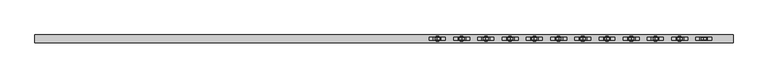
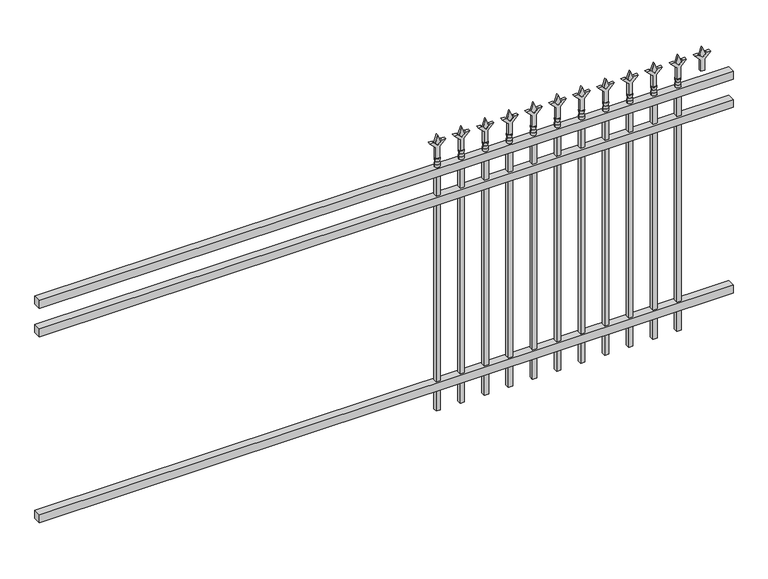
"""IFC4 building model written with IfcOpenShell, lengths in millimetres: railing geometry."""

import ifcopenshell
import ifcopenshell.guid

model = None  # the IFC model being written
_history = None  # IfcOwnerHistory: only IFC2X3 demands one
_inside = {}  # id of a spatial element -> (the spatial element, [elements in it])
_under = {}  # id of a project, library or spatial element -> (it, [spatial elements below it])
_declared = {}  # id of a project -> (the project, [libraries it declares])
_typed = {}  # id of a type object -> (the type object, [elements of that type])
_made_of = {}  # id of a material, layer set ... -> (it, [elements and type objects made of it])


def new_model(schema):
    """Start an empty IFC model of exactly this schema.

    Asked for "IFC4X3", IfcOpenShell would pick the latest addendum, in which some entities
    have other attributes; the version numbers below select the first issue.
    IFC2X3 requires an IfcOwnerHistory on every rooted entity: one is made here for all.
    """
    global model, _history
    if schema == "IFC4X3":
        model = ifcopenshell.file(schema_version=(4, 3, 0, 0))
    else:
        model = ifcopenshell.file(schema=schema)
    _inside.clear()
    _under.clear()
    _declared.clear()
    _typed.clear()
    _made_of.clear()
    _history = None
    if model.schema == "IFC2X3":
        org = make("IfcOrganization", Name="unknown")
        user = make(
            "IfcPersonAndOrganization",
            ThePerson=make("IfcPerson", FamilyName="unknown"),
            TheOrganization=org,
        )
        app = make(
            "IfcApplication",
            ApplicationDeveloper=org,
            Version="unknown",
            ApplicationFullName="unknown",
            ApplicationIdentifier="unknown",
        )
        _history = make(
            "IfcOwnerHistory",
            OwningUser=user,
            OwningApplication=app,
            ChangeAction="ADDED",
            CreationDate=0,
        )
    return model


def make(cls, **values):
    """One entity of the class cls with the attributes given. An attribute that is None is left unset."""
    return model.create_entity(
        cls, **{name: value for name, value in values.items() if value is not None}
    )


def rooted(cls, **values):
    """An entity with a GlobalId (a new one), such as an element, a storey or a relation."""
    return make(cls, GlobalId=ifcopenshell.guid.new(), OwnerHistory=_history, **values)


def si_unit(unit_type, name, prefix=None):
    """IfcSIUnit, for example si_unit("LENGTHUNIT", "METRE", prefix="MILLI")."""
    return make("IfcSIUnit", UnitType=unit_type, Prefix=prefix, Name=name)


def assignment(units):
    """IfcUnitAssignment: the units of a project."""
    return None if units is None else make("IfcUnitAssignment", Units=units)


def point(xyz):
    """IfcCartesianPoint."""
    return None if xyz is None else make("IfcCartesianPoint", Coordinates=xyz)


def direction(xyz):
    """IfcDirection."""
    return None if xyz is None else make("IfcDirection", DirectionRatios=xyz)


def frame(location, z_axis=None, x_axis=None):
    """IfcAxis2Placement3D, a coordinate frame: its origin and axes. An axis left out is left unset."""
    return make(
        "IfcAxis2Placement3D",
        Location=point(location),
        Axis=direction(z_axis),
        RefDirection=direction(x_axis),
    )


def origin():
    """The frame at (0, 0, 0) with its axes left unset."""
    return frame((0.0, 0.0, 0.0))


def place(relative_to, where):
    """IfcLocalPlacement: puts the frame where relative to a parent placement (None: the world)."""
    return make(
        "IfcLocalPlacement", PlacementRelTo=relative_to, RelativePlacement=where
    )


def context(
    kind, dimensions, precision=None, world=None, true_north=None, identifier=None
):
    """IfcGeometricRepresentationContext, for example the 3D "Model" context."""
    return make(
        "IfcGeometricRepresentationContext",
        ContextIdentifier=identifier,
        ContextType=kind,
        CoordinateSpaceDimension=dimensions,
        Precision=precision,
        WorldCoordinateSystem=world,
        TrueNorth=true_north,
    )


def project(units=None, contexts=None):
    """IfcProject with its units and contexts."""
    return rooted(
        "IfcProject",
        Name="project",
        RepresentationContexts=contexts,
        UnitsInContext=assignment(units),
    )


def spatial(cls, under=None, at=None, **own):
    """A site, building, storey or space (cls), placed at a placement, below another one or the project."""
    s = rooted(cls, ObjectPlacement=at, **own)
    if under is not None:
        _under.setdefault(under.id(), (under, []))[1].append(s)
    return s


def polyline(points):
    """IfcPolyline through the points."""
    return make("IfcPolyline", Points=[point(p) for p in points])


def circle_curve(where, radius):
    """IfcCircle in the frame where."""
    return make("IfcCircle", Position=where, Radius=radius)


def outline(outer, holes=None, kind="AREA"):
    """IfcArbitraryClosedProfileDef: a profile drawn as a closed curve; with holes, ...WithVoids."""
    if holes is None:
        return make("IfcArbitraryClosedProfileDef", ProfileType=kind, OuterCurve=outer)
    return make(
        "IfcArbitraryProfileDefWithVoids",
        ProfileType=kind,
        OuterCurve=outer,
        InnerCurves=holes,
    )


def extrude(swept, where, along, depth):
    """IfcExtrudedAreaSolid: the profile swept, set in the frame where, extruded along a direction by depth."""
    return make(
        "IfcExtrudedAreaSolid",
        SweptArea=swept,
        Position=where,
        ExtrudedDirection=direction(along),
        Depth=depth,
    )


def shape(context_of_items, identifier, shape_type, items):
    """IfcShapeRepresentation: the items that make up one representation, for example the "Body"."""
    return make(
        "IfcShapeRepresentation",
        ContextOfItems=context_of_items,
        RepresentationIdentifier=identifier,
        RepresentationType=shape_type,
        Items=items,
    )


def source(mapping_origin, context_of_items, identifier, shape_type, items):
    """IfcRepresentationMap: a shape defined once, which mapped items show again and again."""
    return make(
        "IfcRepresentationMap",
        MappingOrigin=mapping_origin,
        MappedRepresentation=shape(context_of_items, identifier, shape_type, items),
    )


def transform(
    local_origin,
    x_axis=None,
    y_axis=None,
    z_axis=None,
    scale=None,
    scale2=None,
    scale3=None,
    uniform=True,
):
    """IfcCartesianTransformationOperator3D, or its non-uniform kind. x_axis, y_axis, z_axis: its Axis1, 2, 3."""
    if uniform:
        return make(
            "IfcCartesianTransformationOperator3D",
            Axis1=direction(x_axis),
            Axis2=direction(y_axis),
            LocalOrigin=point(local_origin),
            Scale=scale,
            Axis3=direction(z_axis),
        )
    return make(
        "IfcCartesianTransformationOperator3DnonUniform",
        Axis1=direction(x_axis),
        Axis2=direction(y_axis),
        LocalOrigin=point(local_origin),
        Scale=scale,
        Axis3=direction(z_axis),
        Scale2=scale2,
        Scale3=scale3,
    )


def mapped(mapping_source, mapping_target):
    """IfcMappedItem: shows the shape of a source again, moved by a transform."""
    return make(
        "IfcMappedItem", MappingSource=mapping_source, MappingTarget=mapping_target
    )


def made_of(thing, what):
    """Note that an element or type object is made of a material, layer set ...; save() writes the relation."""
    if what is not None:
        _made_of.setdefault(what.id(), (what, []))[1].append(thing)
    return thing


def element(
    cls,
    number,
    at=None,
    inside=None,
    cuts=None,
    type_object=None,
    material=None,
    context=None,
    identifier="Body",
    shape_type=None,
    held_by="IfcProductDefinitionShape",
    body=None,
    shapes=None,
    **own,
):
    """One element of the class cls, such as IfcWall. Its Tag is "e" and its number.

    at: its placement. inside: the storey or other place that contains it. cuts: it is an
    opening in that element (IfcRelVoidsElement). A single representation is given by context,
    identifier, shape_type and body (its items); several are given by shapes. held_by: the class
    of the entity that holds the representations. save() writes the other relations.
    """
    e = rooted(cls, Tag="e%d" % number, ObjectPlacement=at, **own)
    if body is not None:
        shapes = [shape(context, identifier, shape_type, body)]
    if shapes is not None:
        e.Representation = make(held_by, Representations=shapes)
    if inside is not None:
        _inside.setdefault(inside.id(), (inside, []))[1].append(e)
    if cuts is not None:
        rooted(
            "IfcRelVoidsElement", RelatingBuildingElement=cuts, RelatedOpeningElement=e
        )
    if type_object is not None:
        _typed.setdefault(type_object.id(), (type_object, []))[1].append(e)
    return made_of(e, material)


def aggregate(whole, parts):
    """IfcRelAggregates: a whole, such as a stair, and the parts it consists of."""
    return rooted("IfcRelAggregates", RelatingObject=whole, RelatedObjects=parts)


def save(model, path):
    """Write the relations noted so far, then the file.

    IfcRelAggregates (storeys below a building ...), IfcRelContainedInSpatialStructure (elements
    in a storey), IfcRelDefinesByType, IfcRelAssociatesMaterial and IfcRelDeclares: one each for
    every whole, place, type object, material and project.
    """
    for whole, parts in _under.values():
        aggregate(whole, parts)
    for where, things in _inside.values():
        rooted(
            "IfcRelContainedInSpatialStructure",
            RelatedElements=things,
            RelatingStructure=where,
        )
    for kind, things in _typed.values():
        rooted("IfcRelDefinesByType", RelatedObjects=things, RelatingType=kind)
    for what, things in _made_of.values():
        rooted("IfcRelAssociatesMaterial", RelatedObjects=things, RelatingMaterial=what)
    for by, libraries in _declared.values():
        rooted("IfcRelDeclares", RelatingContext=by, RelatedDefinitions=libraries)
    model.write(path)


def plane_surface(at):
    """IfcPlane: the flat surface through the origin of the frame at, square to its z axis."""
    return make("IfcPlane", Position=at)


def cylinder_surface(at, radius):
    """IfcCylindricalSurface: all points at the distance radius from the z axis of the frame at."""
    return make("IfcCylindricalSurface", Position=at, Radius=radius)


def revolved_surface(curve, axis_point, axis_direction):
    """IfcSurfaceOfRevolution: the curve turned about the line through axis_point along axis_direction."""
    return make(
        "IfcSurfaceOfRevolution",
        SweptCurve=make("IfcArbitraryOpenProfileDef", ProfileType="CURVE", Curve=curve),
        AxisPosition=make("IfcAxis1Placement", Location=point(axis_point), Axis=direction(axis_direction)),
    )


def advanced_brep(points, edges, surfaces, faces):
    """IfcAdvancedBrep: a solid bounded by faces that lie on surfaces and meet in shared edges.

    An edge is (start, end): straight between two places in points (the first is 0);
    or (start, end, curve); or (start, end, curve, False) where it runs against its curve.
    A face is (place in surfaces, loops), or (place, loops, False) where it looks against
    its surface's normal. A loop lists edges by number (the first is 1), with a minus sign
    where the edge is run from its end to its start. The first loop is the outer one.
    """
    corners = [point(p) for p in points]
    vertices = [make("IfcVertexPoint", VertexGeometry=c) for c in corners]
    made = []
    for start, end, *more in edges:
        made.append(
            make(
                "IfcEdgeCurve",
                EdgeStart=vertices[start],
                EdgeEnd=vertices[end],
                EdgeGeometry=more[0] if more else make("IfcPolyline", Points=[corners[start], corners[end]]),
                SameSense=more[1] if len(more) > 1 else True,
            )
        )
    hull = []
    for where, loops, *sense in faces:
        bounds = []
        for j, loop in enumerate(loops):
            ring = [make("IfcOrientedEdge", EdgeElement=made[abs(k) - 1], Orientation=k > 0) for k in loop]
            bounds.append(
                make(
                    "IfcFaceOuterBound" if j == 0 else "IfcFaceBound",
                    Bound=make("IfcEdgeLoop", EdgeList=ring),
                    Orientation=True,
                )
            )
        hull.append(make("IfcAdvancedFace", Bounds=bounds, FaceSurface=surfaces[where], SameSense=sense[0] if sense else True))
    return make("IfcAdvancedBrep", Outer=make("IfcClosedShell", CfsFaces=hull))


def railing_4e1fc97d(model_context):
    return source(origin(), model_context, "Body", "SolidModel", [
        extrude(outline(polyline([(-73537.318087, -3091.1195174), (-73537.318087, -3056.1945174), (-70387.718087, -3056.1945174), (-70387.718087, -3091.1195174), (-73537.318087, -3091.1195174)])), frame((0.0, 0.0, 1181.1), z_axis=(0.0, 0.0, 1.0), x_axis=(1.0, 0.0, 0.0)), (0.0, 0.0, 1.0), 38.1),
        extrude(outline(polyline([(-73537.318087, -3091.1195174), (-73537.318087, -3056.1945174), (-70387.718087, -3056.1945174), (-70387.718087, -3091.1195174), (-73537.318087, -3091.1195174)])), frame((0.0, 0.0, 1044.575), z_axis=(0.0, 0.0, 1.0), x_axis=(1.0, 0.0, 0.0)), (0.0, 0.0, 1.0), 38.1),
        extrude(outline(polyline([(-73537.318087, -3091.1195174), (-73537.318087, -3056.1945174), (-70387.718087, -3056.1945174), (-70387.718087, -3091.1195174), (-73537.318087, -3091.1195174)])), frame((0.0, 0.0, 152.4), z_axis=(0.0, 0.0, 1.0), x_axis=(1.0, 0.0, 0.0)), (0.0, 0.0, 1.0), 38.1),
        extrude(outline(polyline([(1335.88125, -70616.8472536), (1371.6, -70628.7535036), (1335.88125, -70640.6597536), (1323.975, -70628.7535036), (1335.88125, -70616.8472536)])), frame((0.0, -3078.4195174, 0.0), z_axis=(0.0, 1.0, 0.0), x_axis=(0.0, 0.0, 1.0)), (0.0, 0.0, 1.0), 9.525),
        extrude(outline(polyline([(1260.475, -70620.0222536), (1314.7457378, -70620.0222536), (1341.9355122, -70592.8324791), (1341.9355122, -70610.7929914), (1323.975, -70628.7535036), (1341.9355122, -70646.7140159), (1341.9355122, -70664.6745281), (1314.7457378, -70637.4847536), (1260.475, -70637.4847536), (1260.475, -70620.0222536)])), frame((0.0, -3080.0070174, 0.0), z_axis=(0.0, 1.0, 0.0), x_axis=(0.0, 0.0, 1.0)), (0.0, 0.0, 1.0), 12.7),
        advanced_brep(
        [(-70616.8472536, -3073.6570174, 1231.9), (-70640.6597536, -3073.6570174, 1231.9), (-70640.6597536, -3073.6570174, 1219.2), (-70616.8472536, -3073.6570174, 1219.2), (-70619.0525855, -3073.6570174, 1244.4070585), (-70638.4544218, -3073.6570174, 1244.4070585), (-70616.8472536, -3073.6570174, 1260.475), (-70640.6597536, -3073.6570174, 1260.475), (-70628.7535036, -3073.6570174, 1260.475), (-70628.7535036, -3073.6570174, 1219.2)],
        [
            (0, 1, circle_curve(frame((-70628.7535036, -3073.6570174, 1231.9), z_axis=(0.0, 0.0, -1.0), x_axis=(-1.0, 0.0, 0.0)), 11.90625)),
            (1, 2),
            (2, 3, circle_curve(frame((-70628.7535036, -3073.6570174, 1219.2), z_axis=(0.0, 0.0, 1.0), x_axis=(-1.0, 0.0, 0.0)), 11.90625)),
            (3, 0),
            (1, 0, circle_curve(frame((-70628.7535036, -3073.6570174, 1231.9), z_axis=(0.0, 0.0, -1.0), x_axis=(-1.0, 0.0, 0.0)), 11.90625)),
            (3, 2, circle_curve(frame((-70628.7535036, -3073.6570174, 1219.2), z_axis=(0.0, 0.0, 1.0), x_axis=(-1.0, 0.0, 0.0)), 11.90625)),
            (4, 5, circle_curve(frame((-70628.7535036, -3073.6570174, 1244.4070585), z_axis=(0.0, 0.0, -1.0), x_axis=(-1.0, 0.0, 0.0)), 9.7009181)),
            (5, 1),
            (0, 4),
            (5, 4, circle_curve(frame((-70628.7535036, -3073.6570174, 1244.4070585), z_axis=(0.0, 0.0, -1.0), x_axis=(-1.0, 0.0, 0.0)), 9.7009181)),
            (6, 7, circle_curve(frame((-70628.7535036, -3073.6570174, 1260.475), z_axis=(0.0, 0.0, -1.0), x_axis=(-1.0, 0.0, 0.0)), 11.90625)),
            (7, 5),
            (4, 6),
            (7, 6, circle_curve(frame((-70628.7535036, -3073.6570174, 1260.475), z_axis=(0.0, 0.0, -1.0), x_axis=(-1.0, 0.0, 0.0)), 11.90625)),
            (8, 7),
            (6, 8),
            (2, 9),
            (9, 3),
        ],
        [
            cylinder_surface(frame((-70628.7535036, -3073.6570174, 1219.2), z_axis=(0.0, 0.0, 1.0), x_axis=(-1.0, 0.0, 0.0)), 11.90625),
            revolved_surface(polyline([(-70640.6597536, -3073.6570174, 1231.9), (-70638.4544218, -3073.6570174, 1244.4070585)]), (-70628.7535036, -3073.6570174, 1219.2), (0.0, 0.0, 1.0)),
            revolved_surface(polyline([(-70638.4544218, -3073.6570174, 1244.4070585), (-70640.6597536, -3073.6570174, 1260.475)]), (-70628.7535036, -3073.6570174, 1219.2), (0.0, 0.0, 1.0)),
            plane_surface(frame((-70628.7535036, -3073.6570174, 1260.475), z_axis=(0.0, 0.0, 1.0), x_axis=(-1.0, 0.0, 0.0))),
            plane_surface(frame((-70628.7535036, -3073.6570174, 1219.2), z_axis=(0.0, 0.0, -1.0), x_axis=(-1.0, 0.0, 0.0))),
        ],
        [
            (0, [[1, 2, 3, 4]]),
            (0, [[5, -4, 6, -2]]),
            (1, [[7, 8, -1, 9]]),
            (1, [[10, -9, -5, -8]]),
            (2, [[11, 12, -7, 13]]),
            (2, [[14, -13, -10, -12]]),
            (3, [[15, -11, 16]]),
            (3, [[-16, -14, -15]]),
            (4, [[-3, 17, 18]]),
            (4, [[-6, -18, -17]]),
        ],
    ),
        extrude(outline(polyline([(-70638.2785036, -3064.1320174), (-70619.2285036, -3064.1320174), (-70619.2285036, -3083.1820174), (-70638.2785036, -3083.1820174), (-70638.2785036, -3064.1320174)])), frame((0.0, 0.0, 50.8), z_axis=(0.0, 0.0, 1.0), x_axis=(1.0, 0.0, 0.0)), (0.0, 0.0, 1.0), 1168.4),
        extrude(outline(polyline([(1335.88125, -70726.1201703), (1371.6, -70738.0264203), (1335.88125, -70749.9326703), (1323.975, -70738.0264203), (1335.88125, -70726.1201703)])), frame((0.0, -3078.4195174, 0.0), z_axis=(0.0, 1.0, 0.0), x_axis=(0.0, 0.0, 1.0)), (0.0, 0.0, 1.0), 9.525),
        extrude(outline(polyline([(1260.475, -70729.2951703), (1314.7457378, -70729.2951703), (1341.9355122, -70702.1053958), (1341.9355122, -70720.0659081), (1323.975, -70738.0264203), (1341.9355122, -70755.9869325), (1341.9355122, -70773.9474448), (1314.7457378, -70746.7576703), (1260.475, -70746.7576703), (1260.475, -70729.2951703)])), frame((0.0, -3080.0070174, 0.0), z_axis=(0.0, 1.0, 0.0), x_axis=(0.0, 0.0, 1.0)), (0.0, 0.0, 1.0), 12.7),
        advanced_brep(
        [(-70726.1201703, -3073.6570174, 1231.9), (-70749.9326703, -3073.6570174, 1231.9), (-70749.9326703, -3073.6570174, 1219.2), (-70726.1201703, -3073.6570174, 1219.2), (-70728.3255022, -3073.6570174, 1244.4070585), (-70747.7273384, -3073.6570174, 1244.4070585), (-70726.1201703, -3073.6570174, 1260.475), (-70749.9326703, -3073.6570174, 1260.475), (-70738.0264203, -3073.6570174, 1260.475), (-70738.0264203, -3073.6570174, 1219.2)],
        [
            (0, 1, circle_curve(frame((-70738.0264203, -3073.6570174, 1231.9), z_axis=(0.0, 0.0, -1.0), x_axis=(-1.0, 0.0, 0.0)), 11.90625)),
            (1, 2),
            (2, 3, circle_curve(frame((-70738.0264203, -3073.6570174, 1219.2), z_axis=(0.0, 0.0, 1.0), x_axis=(-1.0, 0.0, 0.0)), 11.90625)),
            (3, 0),
            (1, 0, circle_curve(frame((-70738.0264203, -3073.6570174, 1231.9), z_axis=(0.0, 0.0, -1.0), x_axis=(-1.0, 0.0, 0.0)), 11.90625)),
            (3, 2, circle_curve(frame((-70738.0264203, -3073.6570174, 1219.2), z_axis=(0.0, 0.0, 1.0), x_axis=(-1.0, 0.0, 0.0)), 11.90625)),
            (4, 5, circle_curve(frame((-70738.0264203, -3073.6570174, 1244.4070585), z_axis=(0.0, 0.0, -1.0), x_axis=(-1.0, 0.0, 0.0)), 9.7009181)),
            (5, 1),
            (0, 4),
            (5, 4, circle_curve(frame((-70738.0264203, -3073.6570174, 1244.4070585), z_axis=(0.0, 0.0, -1.0), x_axis=(-1.0, 0.0, 0.0)), 9.7009181)),
            (6, 7, circle_curve(frame((-70738.0264203, -3073.6570174, 1260.475), z_axis=(0.0, 0.0, -1.0), x_axis=(-1.0, 0.0, 0.0)), 11.90625)),
            (7, 5),
            (4, 6),
            (7, 6, circle_curve(frame((-70738.0264203, -3073.6570174, 1260.475), z_axis=(0.0, 0.0, -1.0), x_axis=(-1.0, 0.0, 0.0)), 11.90625)),
            (8, 7),
            (6, 8),
            (2, 9),
            (9, 3),
        ],
        [
            cylinder_surface(frame((-70738.0264203, -3073.6570174, 1219.2), z_axis=(0.0, 0.0, 1.0), x_axis=(-1.0, 0.0, 0.0)), 11.90625),
            revolved_surface(polyline([(-70749.9326703, -3073.6570174, 1231.9), (-70747.7273384, -3073.6570174, 1244.4070585)]), (-70738.0264203, -3073.6570174, 1219.2), (0.0, 0.0, 1.0)),
            revolved_surface(polyline([(-70747.7273384, -3073.6570174, 1244.4070585), (-70749.9326703, -3073.6570174, 1260.475)]), (-70738.0264203, -3073.6570174, 1219.2), (0.0, 0.0, 1.0)),
            plane_surface(frame((-70738.0264203, -3073.6570174, 1260.475), z_axis=(0.0, 0.0, 1.0), x_axis=(-1.0, 0.0, 0.0))),
            plane_surface(frame((-70738.0264203, -3073.6570174, 1219.2), z_axis=(0.0, 0.0, -1.0), x_axis=(-1.0, 0.0, 0.0))),
        ],
        [
            (0, [[1, 2, 3, 4]]),
            (0, [[5, -4, 6, -2]]),
            (1, [[7, 8, -1, 9]]),
            (1, [[10, -9, -5, -8]]),
            (2, [[11, 12, -7, 13]]),
            (2, [[14, -13, -10, -12]]),
            (3, [[15, -11, 16]]),
            (3, [[-16, -14, -15]]),
            (4, [[-3, 17, 18]]),
            (4, [[-6, -18, -17]]),
        ],
    ),
        extrude(outline(polyline([(-70747.5514203, -3064.1320174), (-70728.5014203, -3064.1320174), (-70728.5014203, -3083.1820174), (-70747.5514203, -3083.1820174), (-70747.5514203, -3064.1320174)])), frame((0.0, 0.0, 50.8), z_axis=(0.0, 0.0, 1.0), x_axis=(1.0, 0.0, 0.0)), (0.0, 0.0, 1.0), 1168.4),
        extrude(outline(polyline([(1335.88125, -70835.393087), (1371.6, -70847.299337), (1335.88125, -70859.205587), (1323.975, -70847.299337), (1335.88125, -70835.393087)])), frame((0.0, -3078.4195174, 0.0), z_axis=(0.0, 1.0, 0.0), x_axis=(0.0, 0.0, 1.0)), (0.0, 0.0, 1.0), 9.525),
        extrude(outline(polyline([(1260.475, -70838.568087), (1314.7457378, -70838.568087), (1341.9355122, -70811.3783125), (1341.9355122, -70829.3388247), (1323.975, -70847.299337), (1341.9355122, -70865.2598492), (1341.9355122, -70883.2203614), (1314.7457378, -70856.030587), (1260.475, -70856.030587), (1260.475, -70838.568087)])), frame((0.0, -3080.0070174, 0.0), z_axis=(0.0, 1.0, 0.0), x_axis=(0.0, 0.0, 1.0)), (0.0, 0.0, 1.0), 12.7),
        advanced_brep(
        [(-70835.393087, -3073.6570174, 1231.9), (-70859.205587, -3073.6570174, 1231.9), (-70859.205587, -3073.6570174, 1219.2), (-70835.393087, -3073.6570174, 1219.2), (-70837.5984188, -3073.6570174, 1244.4070585), (-70857.0002551, -3073.6570174, 1244.4070585), (-70835.393087, -3073.6570174, 1260.475), (-70859.205587, -3073.6570174, 1260.475), (-70847.299337, -3073.6570174, 1260.475), (-70847.299337, -3073.6570174, 1219.2)],
        [
            (0, 1, circle_curve(frame((-70847.299337, -3073.6570174, 1231.9), z_axis=(0.0, 0.0, -1.0), x_axis=(-1.0, 0.0, 0.0)), 11.90625)),
            (1, 2),
            (2, 3, circle_curve(frame((-70847.299337, -3073.6570174, 1219.2), z_axis=(0.0, 0.0, 1.0), x_axis=(-1.0, 0.0, 0.0)), 11.90625)),
            (3, 0),
            (1, 0, circle_curve(frame((-70847.299337, -3073.6570174, 1231.9), z_axis=(0.0, 0.0, -1.0), x_axis=(-1.0, 0.0, 0.0)), 11.90625)),
            (3, 2, circle_curve(frame((-70847.299337, -3073.6570174, 1219.2), z_axis=(0.0, 0.0, 1.0), x_axis=(-1.0, 0.0, 0.0)), 11.90625)),
            (4, 5, circle_curve(frame((-70847.299337, -3073.6570174, 1244.4070585), z_axis=(0.0, 0.0, -1.0), x_axis=(-1.0, 0.0, 0.0)), 9.7009181)),
            (5, 1),
            (0, 4),
            (5, 4, circle_curve(frame((-70847.299337, -3073.6570174, 1244.4070585), z_axis=(0.0, 0.0, -1.0), x_axis=(-1.0, 0.0, 0.0)), 9.7009181)),
            (6, 7, circle_curve(frame((-70847.299337, -3073.6570174, 1260.475), z_axis=(0.0, 0.0, -1.0), x_axis=(-1.0, 0.0, 0.0)), 11.90625)),
            (7, 5),
            (4, 6),
            (7, 6, circle_curve(frame((-70847.299337, -3073.6570174, 1260.475), z_axis=(0.0, 0.0, -1.0), x_axis=(-1.0, 0.0, 0.0)), 11.90625)),
            (8, 7),
            (6, 8),
            (2, 9),
            (9, 3),
        ],
        [
            cylinder_surface(frame((-70847.299337, -3073.6570174, 1219.2), z_axis=(0.0, 0.0, 1.0), x_axis=(-1.0, 0.0, 0.0)), 11.90625),
            revolved_surface(polyline([(-70859.205587, -3073.6570174, 1231.9), (-70857.0002551, -3073.6570174, 1244.4070585)]), (-70847.299337, -3073.6570174, 1219.2), (0.0, 0.0, 1.0)),
            revolved_surface(polyline([(-70857.0002551, -3073.6570174, 1244.4070585), (-70859.205587, -3073.6570174, 1260.475)]), (-70847.299337, -3073.6570174, 1219.2), (0.0, 0.0, 1.0)),
            plane_surface(frame((-70847.299337, -3073.6570174, 1260.475), z_axis=(0.0, 0.0, 1.0), x_axis=(-1.0, 0.0, 0.0))),
            plane_surface(frame((-70847.299337, -3073.6570174, 1219.2), z_axis=(0.0, 0.0, -1.0), x_axis=(-1.0, 0.0, 0.0))),
        ],
        [
            (0, [[1, 2, 3, 4]]),
            (0, [[5, -4, 6, -2]]),
            (1, [[7, 8, -1, 9]]),
            (1, [[10, -9, -5, -8]]),
            (2, [[11, 12, -7, 13]]),
            (2, [[14, -13, -10, -12]]),
            (3, [[15, -11, 16]]),
            (3, [[-16, -14, -15]]),
            (4, [[-3, 17, 18]]),
            (4, [[-6, -18, -17]]),
        ],
    ),
        extrude(outline(polyline([(-70856.824337, -3064.1320174), (-70837.774337, -3064.1320174), (-70837.774337, -3083.1820174), (-70856.824337, -3083.1820174), (-70856.824337, -3064.1320174)])), frame((0.0, 0.0, 50.8), z_axis=(0.0, 0.0, 1.0), x_axis=(1.0, 0.0, 0.0)), (0.0, 0.0, 1.0), 1168.4),
        extrude(outline(polyline([(1335.88125, -70944.6660036), (1371.6, -70956.5722536), (1335.88125, -70968.4785036), (1323.975, -70956.5722536), (1335.88125, -70944.6660036)])), frame((0.0, -3078.4195174, 0.0), z_axis=(0.0, 1.0, 0.0), x_axis=(0.0, 0.0, 1.0)), (0.0, 0.0, 1.0), 9.525),
        extrude(outline(polyline([(1260.475, -70947.8410036), (1314.7457378, -70947.8410036), (1341.9355122, -70920.6512291), (1341.9355122, -70938.6117414), (1323.975, -70956.5722536), (1341.9355122, -70974.5327659), (1341.9355122, -70992.4932781), (1314.7457378, -70965.3035036), (1260.475, -70965.3035036), (1260.475, -70947.8410036)])), frame((0.0, -3080.0070174, 0.0), z_axis=(0.0, 1.0, 0.0), x_axis=(0.0, 0.0, 1.0)), (0.0, 0.0, 1.0), 12.7),
        advanced_brep(
        [(-70944.6660036, -3073.6570174, 1231.9), (-70968.4785036, -3073.6570174, 1231.9), (-70968.4785036, -3073.6570174, 1219.2), (-70944.6660036, -3073.6570174, 1219.2), (-70946.8713355, -3073.6570174, 1244.4070585), (-70966.2731718, -3073.6570174, 1244.4070585), (-70944.6660036, -3073.6570174, 1260.475), (-70968.4785036, -3073.6570174, 1260.475), (-70956.5722536, -3073.6570174, 1260.475), (-70956.5722536, -3073.6570174, 1219.2)],
        [
            (0, 1, circle_curve(frame((-70956.5722536, -3073.6570174, 1231.9), z_axis=(0.0, 0.0, -1.0), x_axis=(-1.0, 0.0, 0.0)), 11.90625)),
            (1, 2),
            (2, 3, circle_curve(frame((-70956.5722536, -3073.6570174, 1219.2), z_axis=(0.0, 0.0, 1.0), x_axis=(-1.0, 0.0, 0.0)), 11.90625)),
            (3, 0),
            (1, 0, circle_curve(frame((-70956.5722536, -3073.6570174, 1231.9), z_axis=(0.0, 0.0, -1.0), x_axis=(-1.0, 0.0, 0.0)), 11.90625)),
            (3, 2, circle_curve(frame((-70956.5722536, -3073.6570174, 1219.2), z_axis=(0.0, 0.0, 1.0), x_axis=(-1.0, 0.0, 0.0)), 11.90625)),
            (4, 5, circle_curve(frame((-70956.5722536, -3073.6570174, 1244.4070585), z_axis=(0.0, 0.0, -1.0), x_axis=(-1.0, 0.0, 0.0)), 9.7009181)),
            (5, 1),
            (0, 4),
            (5, 4, circle_curve(frame((-70956.5722536, -3073.6570174, 1244.4070585), z_axis=(0.0, 0.0, -1.0), x_axis=(-1.0, 0.0, 0.0)), 9.7009181)),
            (6, 7, circle_curve(frame((-70956.5722536, -3073.6570174, 1260.475), z_axis=(0.0, 0.0, -1.0), x_axis=(-1.0, 0.0, 0.0)), 11.90625)),
            (7, 5),
            (4, 6),
            (7, 6, circle_curve(frame((-70956.5722536, -3073.6570174, 1260.475), z_axis=(0.0, 0.0, -1.0), x_axis=(-1.0, 0.0, 0.0)), 11.90625)),
            (8, 7),
            (6, 8),
            (2, 9),
            (9, 3),
        ],
        [
            cylinder_surface(frame((-70956.5722536, -3073.6570174, 1219.2), z_axis=(0.0, 0.0, 1.0), x_axis=(-1.0, 0.0, 0.0)), 11.90625),
            revolved_surface(polyline([(-70968.4785036, -3073.6570174, 1231.9), (-70966.2731718, -3073.6570174, 1244.4070585)]), (-70956.5722536, -3073.6570174, 1219.2), (0.0, 0.0, 1.0)),
            revolved_surface(polyline([(-70966.2731718, -3073.6570174, 1244.4070585), (-70968.4785036, -3073.6570174, 1260.475)]), (-70956.5722536, -3073.6570174, 1219.2), (0.0, 0.0, 1.0)),
            plane_surface(frame((-70956.5722536, -3073.6570174, 1260.475), z_axis=(0.0, 0.0, 1.0), x_axis=(-1.0, 0.0, 0.0))),
            plane_surface(frame((-70956.5722536, -3073.6570174, 1219.2), z_axis=(0.0, 0.0, -1.0), x_axis=(-1.0, 0.0, 0.0))),
        ],
        [
            (0, [[1, 2, 3, 4]]),
            (0, [[5, -4, 6, -2]]),
            (1, [[7, 8, -1, 9]]),
            (1, [[10, -9, -5, -8]]),
            (2, [[11, 12, -7, 13]]),
            (2, [[14, -13, -10, -12]]),
            (3, [[15, -11, 16]]),
            (3, [[-16, -14, -15]]),
            (4, [[-3, 17, 18]]),
            (4, [[-6, -18, -17]]),
        ],
    ),
        extrude(outline(polyline([(-70966.0972536, -3064.1320174), (-70947.0472536, -3064.1320174), (-70947.0472536, -3083.1820174), (-70966.0972536, -3083.1820174), (-70966.0972536, -3064.1320174)])), frame((0.0, 0.0, 50.8), z_axis=(0.0, 0.0, 1.0), x_axis=(1.0, 0.0, 0.0)), (0.0, 0.0, 1.0), 1168.4),
        extrude(outline(polyline([(1335.88125, -71053.9389203), (1371.6, -71065.8451703), (1335.88125, -71077.7514203), (1323.975, -71065.8451703), (1335.88125, -71053.9389203)])), frame((0.0, -3078.4195174, 0.0), z_axis=(0.0, 1.0, 0.0), x_axis=(0.0, 0.0, 1.0)), (0.0, 0.0, 1.0), 9.525),
        extrude(outline(polyline([(1260.475, -71057.1139203), (1314.7457378, -71057.1139203), (1341.9355122, -71029.9241458), (1341.9355122, -71047.8846581), (1323.975, -71065.8451703), (1341.9355122, -71083.8056825), (1341.9355122, -71101.7661948), (1314.7457378, -71074.5764203), (1260.475, -71074.5764203), (1260.475, -71057.1139203)])), frame((0.0, -3080.0070174, 0.0), z_axis=(0.0, 1.0, 0.0), x_axis=(0.0, 0.0, 1.0)), (0.0, 0.0, 1.0), 12.7),
        advanced_brep(
        [(-71053.9389203, -3073.6570174, 1231.9), (-71077.7514203, -3073.6570174, 1231.9), (-71077.7514203, -3073.6570174, 1219.2), (-71053.9389203, -3073.6570174, 1219.2), (-71056.1442522, -3073.6570174, 1244.4070585), (-71075.5460884, -3073.6570174, 1244.4070585), (-71053.9389203, -3073.6570174, 1260.475), (-71077.7514203, -3073.6570174, 1260.475), (-71065.8451703, -3073.6570174, 1260.475), (-71065.8451703, -3073.6570174, 1219.2)],
        [
            (0, 1, circle_curve(frame((-71065.8451703, -3073.6570174, 1231.9), z_axis=(0.0, 0.0, -1.0), x_axis=(-1.0, 0.0, 0.0)), 11.90625)),
            (1, 2),
            (2, 3, circle_curve(frame((-71065.8451703, -3073.6570174, 1219.2), z_axis=(0.0, 0.0, 1.0), x_axis=(-1.0, 0.0, 0.0)), 11.90625)),
            (3, 0),
            (1, 0, circle_curve(frame((-71065.8451703, -3073.6570174, 1231.9), z_axis=(0.0, 0.0, -1.0), x_axis=(-1.0, 0.0, 0.0)), 11.90625)),
            (3, 2, circle_curve(frame((-71065.8451703, -3073.6570174, 1219.2), z_axis=(0.0, 0.0, 1.0), x_axis=(-1.0, 0.0, 0.0)), 11.90625)),
            (4, 5, circle_curve(frame((-71065.8451703, -3073.6570174, 1244.4070585), z_axis=(0.0, 0.0, -1.0), x_axis=(-1.0, 0.0, 0.0)), 9.7009181)),
            (5, 1),
            (0, 4),
            (5, 4, circle_curve(frame((-71065.8451703, -3073.6570174, 1244.4070585), z_axis=(0.0, 0.0, -1.0), x_axis=(-1.0, 0.0, 0.0)), 9.7009181)),
            (6, 7, circle_curve(frame((-71065.8451703, -3073.6570174, 1260.475), z_axis=(0.0, 0.0, -1.0), x_axis=(-1.0, 0.0, 0.0)), 11.90625)),
            (7, 5),
            (4, 6),
            (7, 6, circle_curve(frame((-71065.8451703, -3073.6570174, 1260.475), z_axis=(0.0, 0.0, -1.0), x_axis=(-1.0, 0.0, 0.0)), 11.90625)),
            (8, 7),
            (6, 8),
            (2, 9),
            (9, 3),
        ],
        [
            cylinder_surface(frame((-71065.8451703, -3073.6570174, 1219.2), z_axis=(0.0, 0.0, 1.0), x_axis=(-1.0, 0.0, 0.0)), 11.90625),
            revolved_surface(polyline([(-71077.7514203, -3073.6570174, 1231.9), (-71075.5460884, -3073.6570174, 1244.4070585)]), (-71065.8451703, -3073.6570174, 1219.2), (0.0, 0.0, 1.0)),
            revolved_surface(polyline([(-71075.5460884, -3073.6570174, 1244.4070585), (-71077.7514203, -3073.6570174, 1260.475)]), (-71065.8451703, -3073.6570174, 1219.2), (0.0, 0.0, 1.0)),
            plane_surface(frame((-71065.8451703, -3073.6570174, 1260.475), z_axis=(0.0, 0.0, 1.0), x_axis=(-1.0, 0.0, 0.0))),
            plane_surface(frame((-71065.8451703, -3073.6570174, 1219.2), z_axis=(0.0, 0.0, -1.0), x_axis=(-1.0, 0.0, 0.0))),
        ],
        [
            (0, [[1, 2, 3, 4]]),
            (0, [[5, -4, 6, -2]]),
            (1, [[7, 8, -1, 9]]),
            (1, [[10, -9, -5, -8]]),
            (2, [[11, 12, -7, 13]]),
            (2, [[14, -13, -10, -12]]),
            (3, [[15, -11, 16]]),
            (3, [[-16, -14, -15]]),
            (4, [[-3, 17, 18]]),
            (4, [[-6, -18, -17]]),
        ],
    ),
        extrude(outline(polyline([(-71075.3701703, -3064.1320174), (-71056.3201703, -3064.1320174), (-71056.3201703, -3083.1820174), (-71075.3701703, -3083.1820174), (-71075.3701703, -3064.1320174)])), frame((0.0, 0.0, 50.8), z_axis=(0.0, 0.0, 1.0), x_axis=(1.0, 0.0, 0.0)), (0.0, 0.0, 1.0), 1168.4),
        extrude(outline(polyline([(1335.88125, -71163.211837), (1371.6, -71175.118087), (1335.88125, -71187.024337), (1323.975, -71175.118087), (1335.88125, -71163.211837)])), frame((0.0, -3078.4195174, 0.0), z_axis=(0.0, 1.0, 0.0), x_axis=(0.0, 0.0, 1.0)), (0.0, 0.0, 1.0), 9.525),
        extrude(outline(polyline([(1260.475, -71166.386837), (1314.7457378, -71166.386837), (1341.9355122, -71139.1970625), (1341.9355122, -71157.1575747), (1323.975, -71175.118087), (1341.9355122, -71193.0785992), (1341.9355122, -71211.0391114), (1314.7457378, -71183.849337), (1260.475, -71183.849337), (1260.475, -71166.386837)])), frame((0.0, -3080.0070174, 0.0), z_axis=(0.0, 1.0, 0.0), x_axis=(0.0, 0.0, 1.0)), (0.0, 0.0, 1.0), 12.7),
        advanced_brep(
        [(-71163.211837, -3073.6570174, 1231.9), (-71187.024337, -3073.6570174, 1231.9), (-71187.024337, -3073.6570174, 1219.2), (-71163.211837, -3073.6570174, 1219.2), (-71165.4171688, -3073.6570174, 1244.4070585), (-71184.8190051, -3073.6570174, 1244.4070585), (-71163.211837, -3073.6570174, 1260.475), (-71187.024337, -3073.6570174, 1260.475), (-71175.118087, -3073.6570174, 1260.475), (-71175.118087, -3073.6570174, 1219.2)],
        [
            (0, 1, circle_curve(frame((-71175.118087, -3073.6570174, 1231.9), z_axis=(0.0, 0.0, -1.0), x_axis=(-1.0, 0.0, 0.0)), 11.90625)),
            (1, 2),
            (2, 3, circle_curve(frame((-71175.118087, -3073.6570174, 1219.2), z_axis=(0.0, 0.0, 1.0), x_axis=(-1.0, 0.0, 0.0)), 11.90625)),
            (3, 0),
            (1, 0, circle_curve(frame((-71175.118087, -3073.6570174, 1231.9), z_axis=(0.0, 0.0, -1.0), x_axis=(-1.0, 0.0, 0.0)), 11.90625)),
            (3, 2, circle_curve(frame((-71175.118087, -3073.6570174, 1219.2), z_axis=(0.0, 0.0, 1.0), x_axis=(-1.0, 0.0, 0.0)), 11.90625)),
            (4, 5, circle_curve(frame((-71175.118087, -3073.6570174, 1244.4070585), z_axis=(0.0, 0.0, -1.0), x_axis=(-1.0, 0.0, 0.0)), 9.7009181)),
            (5, 1),
            (0, 4),
            (5, 4, circle_curve(frame((-71175.118087, -3073.6570174, 1244.4070585), z_axis=(0.0, 0.0, -1.0), x_axis=(-1.0, 0.0, 0.0)), 9.7009181)),
            (6, 7, circle_curve(frame((-71175.118087, -3073.6570174, 1260.475), z_axis=(0.0, 0.0, -1.0), x_axis=(-1.0, 0.0, 0.0)), 11.90625)),
            (7, 5),
            (4, 6),
            (7, 6, circle_curve(frame((-71175.118087, -3073.6570174, 1260.475), z_axis=(0.0, 0.0, -1.0), x_axis=(-1.0, 0.0, 0.0)), 11.90625)),
            (8, 7),
            (6, 8),
            (2, 9),
            (9, 3),
        ],
        [
            cylinder_surface(frame((-71175.118087, -3073.6570174, 1219.2), z_axis=(0.0, 0.0, 1.0), x_axis=(-1.0, 0.0, 0.0)), 11.90625),
            revolved_surface(polyline([(-71187.024337, -3073.6570174, 1231.9), (-71184.8190051, -3073.6570174, 1244.4070585)]), (-71175.118087, -3073.6570174, 1219.2), (0.0, 0.0, 1.0)),
            revolved_surface(polyline([(-71184.8190051, -3073.6570174, 1244.4070585), (-71187.024337, -3073.6570174, 1260.475)]), (-71175.118087, -3073.6570174, 1219.2), (0.0, 0.0, 1.0)),
            plane_surface(frame((-71175.118087, -3073.6570174, 1260.475), z_axis=(0.0, 0.0, 1.0), x_axis=(-1.0, 0.0, 0.0))),
            plane_surface(frame((-71175.118087, -3073.6570174, 1219.2), z_axis=(0.0, 0.0, -1.0), x_axis=(-1.0, 0.0, 0.0))),
        ],
        [
            (0, [[1, 2, 3, 4]]),
            (0, [[5, -4, 6, -2]]),
            (1, [[7, 8, -1, 9]]),
            (1, [[10, -9, -5, -8]]),
            (2, [[11, 12, -7, 13]]),
            (2, [[14, -13, -10, -12]]),
            (3, [[15, -11, 16]]),
            (3, [[-16, -14, -15]]),
            (4, [[-3, 17, 18]]),
            (4, [[-6, -18, -17]]),
        ],
    ),
        extrude(outline(polyline([(-71184.643087, -3064.1320174), (-71165.593087, -3064.1320174), (-71165.593087, -3083.1820174), (-71184.643087, -3083.1820174), (-71184.643087, -3064.1320174)])), frame((0.0, 0.0, 50.8), z_axis=(0.0, 0.0, 1.0), x_axis=(1.0, 0.0, 0.0)), (0.0, 0.0, 1.0), 1168.4),
        extrude(outline(polyline([(1335.88125, -71272.4847536), (1371.6, -71284.3910036), (1335.88125, -71296.2972536), (1323.975, -71284.3910036), (1335.88125, -71272.4847536)])), frame((0.0, -3078.4195174, 0.0), z_axis=(0.0, 1.0, 0.0), x_axis=(0.0, 0.0, 1.0)), (0.0, 0.0, 1.0), 9.525),
        extrude(outline(polyline([(1260.475, -71275.6597536), (1314.7457378, -71275.6597536), (1341.9355122, -71248.4699791), (1341.9355122, -71266.4304914), (1323.975, -71284.3910036), (1341.9355122, -71302.3515159), (1341.9355122, -71320.3120281), (1314.7457378, -71293.1222536), (1260.475, -71293.1222536), (1260.475, -71275.6597536)])), frame((0.0, -3080.0070174, 0.0), z_axis=(0.0, 1.0, 0.0), x_axis=(0.0, 0.0, 1.0)), (0.0, 0.0, 1.0), 12.7),
        advanced_brep(
        [(-71272.4847536, -3073.6570174, 1231.9), (-71296.2972536, -3073.6570174, 1231.9), (-71296.2972536, -3073.6570174, 1219.2), (-71272.4847536, -3073.6570174, 1219.2), (-71274.6900855, -3073.6570174, 1244.4070585), (-71294.0919218, -3073.6570174, 1244.4070585), (-71272.4847536, -3073.6570174, 1260.475), (-71296.2972536, -3073.6570174, 1260.475), (-71284.3910036, -3073.6570174, 1260.475), (-71284.3910036, -3073.6570174, 1219.2)],
        [
            (0, 1, circle_curve(frame((-71284.3910036, -3073.6570174, 1231.9), z_axis=(0.0, 0.0, -1.0), x_axis=(-1.0, 0.0, 0.0)), 11.90625)),
            (1, 2),
            (2, 3, circle_curve(frame((-71284.3910036, -3073.6570174, 1219.2), z_axis=(0.0, 0.0, 1.0), x_axis=(-1.0, 0.0, 0.0)), 11.90625)),
            (3, 0),
            (1, 0, circle_curve(frame((-71284.3910036, -3073.6570174, 1231.9), z_axis=(0.0, 0.0, -1.0), x_axis=(-1.0, 0.0, 0.0)), 11.90625)),
            (3, 2, circle_curve(frame((-71284.3910036, -3073.6570174, 1219.2), z_axis=(0.0, 0.0, 1.0), x_axis=(-1.0, 0.0, 0.0)), 11.90625)),
            (4, 5, circle_curve(frame((-71284.3910036, -3073.6570174, 1244.4070585), z_axis=(0.0, 0.0, -1.0), x_axis=(-1.0, 0.0, 0.0)), 9.7009181)),
            (5, 1),
            (0, 4),
            (5, 4, circle_curve(frame((-71284.3910036, -3073.6570174, 1244.4070585), z_axis=(0.0, 0.0, -1.0), x_axis=(-1.0, 0.0, 0.0)), 9.7009181)),
            (6, 7, circle_curve(frame((-71284.3910036, -3073.6570174, 1260.475), z_axis=(0.0, 0.0, -1.0), x_axis=(-1.0, 0.0, 0.0)), 11.90625)),
            (7, 5),
            (4, 6),
            (7, 6, circle_curve(frame((-71284.3910036, -3073.6570174, 1260.475), z_axis=(0.0, 0.0, -1.0), x_axis=(-1.0, 0.0, 0.0)), 11.90625)),
            (8, 7),
            (6, 8),
            (2, 9),
            (9, 3),
        ],
        [
            cylinder_surface(frame((-71284.3910036, -3073.6570174, 1219.2), z_axis=(0.0, 0.0, 1.0), x_axis=(-1.0, 0.0, 0.0)), 11.90625),
            revolved_surface(polyline([(-71296.2972536, -3073.6570174, 1231.9), (-71294.0919218, -3073.6570174, 1244.4070585)]), (-71284.3910036, -3073.6570174, 1219.2), (0.0, 0.0, 1.0)),
            revolved_surface(polyline([(-71294.0919218, -3073.6570174, 1244.4070585), (-71296.2972536, -3073.6570174, 1260.475)]), (-71284.3910036, -3073.6570174, 1219.2), (0.0, 0.0, 1.0)),
            plane_surface(frame((-71284.3910036, -3073.6570174, 1260.475), z_axis=(0.0, 0.0, 1.0), x_axis=(-1.0, 0.0, 0.0))),
            plane_surface(frame((-71284.3910036, -3073.6570174, 1219.2), z_axis=(0.0, 0.0, -1.0), x_axis=(-1.0, 0.0, 0.0))),
        ],
        [
            (0, [[1, 2, 3, 4]]),
            (0, [[5, -4, 6, -2]]),
            (1, [[7, 8, -1, 9]]),
            (1, [[10, -9, -5, -8]]),
            (2, [[11, 12, -7, 13]]),
            (2, [[14, -13, -10, -12]]),
            (3, [[15, -11, 16]]),
            (3, [[-16, -14, -15]]),
            (4, [[-3, 17, 18]]),
            (4, [[-6, -18, -17]]),
        ],
    ),
        extrude(outline(polyline([(-71293.9160036, -3064.1320174), (-71274.8660036, -3064.1320174), (-71274.8660036, -3083.1820174), (-71293.9160036, -3083.1820174), (-71293.9160036, -3064.1320174)])), frame((0.0, 0.0, 50.8), z_axis=(0.0, 0.0, 1.0), x_axis=(1.0, 0.0, 0.0)), (0.0, 0.0, 1.0), 1168.4),
        extrude(outline(polyline([(1335.88125, -71381.7576703), (1371.6, -71393.6639203), (1335.88125, -71405.5701703), (1323.975, -71393.6639203), (1335.88125, -71381.7576703)])), frame((0.0, -3078.4195174, 0.0), z_axis=(0.0, 1.0, 0.0), x_axis=(0.0, 0.0, 1.0)), (0.0, 0.0, 1.0), 9.525),
        extrude(outline(polyline([(1260.475, -71384.9326703), (1314.7457378, -71384.9326703), (1341.9355122, -71357.7428958), (1341.9355122, -71375.7034081), (1323.975, -71393.6639203), (1341.9355122, -71411.6244325), (1341.9355122, -71429.5849448), (1314.7457378, -71402.3951703), (1260.475, -71402.3951703), (1260.475, -71384.9326703)])), frame((0.0, -3080.0070174, 0.0), z_axis=(0.0, 1.0, 0.0), x_axis=(0.0, 0.0, 1.0)), (0.0, 0.0, 1.0), 12.7),
        advanced_brep(
        [(-71381.7576703, -3073.6570174, 1231.9), (-71405.5701703, -3073.6570174, 1231.9), (-71405.5701703, -3073.6570174, 1219.2), (-71381.7576703, -3073.6570174, 1219.2), (-71383.9630022, -3073.6570174, 1244.4070585), (-71403.3648384, -3073.6570174, 1244.4070585), (-71381.7576703, -3073.6570174, 1260.475), (-71405.5701703, -3073.6570174, 1260.475), (-71393.6639203, -3073.6570174, 1260.475), (-71393.6639203, -3073.6570174, 1219.2)],
        [
            (0, 1, circle_curve(frame((-71393.6639203, -3073.6570174, 1231.9), z_axis=(0.0, 0.0, -1.0), x_axis=(-1.0, 0.0, 0.0)), 11.90625)),
            (1, 2),
            (2, 3, circle_curve(frame((-71393.6639203, -3073.6570174, 1219.2), z_axis=(0.0, 0.0, 1.0), x_axis=(-1.0, 0.0, 0.0)), 11.90625)),
            (3, 0),
            (1, 0, circle_curve(frame((-71393.6639203, -3073.6570174, 1231.9), z_axis=(0.0, 0.0, -1.0), x_axis=(-1.0, 0.0, 0.0)), 11.90625)),
            (3, 2, circle_curve(frame((-71393.6639203, -3073.6570174, 1219.2), z_axis=(0.0, 0.0, 1.0), x_axis=(-1.0, 0.0, 0.0)), 11.90625)),
            (4, 5, circle_curve(frame((-71393.6639203, -3073.6570174, 1244.4070585), z_axis=(0.0, 0.0, -1.0), x_axis=(-1.0, 0.0, 0.0)), 9.7009181)),
            (5, 1),
            (0, 4),
            (5, 4, circle_curve(frame((-71393.6639203, -3073.6570174, 1244.4070585), z_axis=(0.0, 0.0, -1.0), x_axis=(-1.0, 0.0, 0.0)), 9.7009181)),
            (6, 7, circle_curve(frame((-71393.6639203, -3073.6570174, 1260.475), z_axis=(0.0, 0.0, -1.0), x_axis=(-1.0, 0.0, 0.0)), 11.90625)),
            (7, 5),
            (4, 6),
            (7, 6, circle_curve(frame((-71393.6639203, -3073.6570174, 1260.475), z_axis=(0.0, 0.0, -1.0), x_axis=(-1.0, 0.0, 0.0)), 11.90625)),
            (8, 7),
            (6, 8),
            (2, 9),
            (9, 3),
        ],
        [
            cylinder_surface(frame((-71393.6639203, -3073.6570174, 1219.2), z_axis=(0.0, 0.0, 1.0), x_axis=(-1.0, 0.0, 0.0)), 11.90625),
            revolved_surface(polyline([(-71405.5701703, -3073.6570174, 1231.9), (-71403.3648384, -3073.6570174, 1244.4070585)]), (-71393.6639203, -3073.6570174, 1219.2), (0.0, 0.0, 1.0)),
            revolved_surface(polyline([(-71403.3648384, -3073.6570174, 1244.4070585), (-71405.5701703, -3073.6570174, 1260.475)]), (-71393.6639203, -3073.6570174, 1219.2), (0.0, 0.0, 1.0)),
            plane_surface(frame((-71393.6639203, -3073.6570174, 1260.475), z_axis=(0.0, 0.0, 1.0), x_axis=(-1.0, 0.0, 0.0))),
            plane_surface(frame((-71393.6639203, -3073.6570174, 1219.2), z_axis=(0.0, 0.0, -1.0), x_axis=(-1.0, 0.0, 0.0))),
        ],
        [
            (0, [[1, 2, 3, 4]]),
            (0, [[5, -4, 6, -2]]),
            (1, [[7, 8, -1, 9]]),
            (1, [[10, -9, -5, -8]]),
            (2, [[11, 12, -7, 13]]),
            (2, [[14, -13, -10, -12]]),
            (3, [[15, -11, 16]]),
            (3, [[-16, -14, -15]]),
            (4, [[-3, 17, 18]]),
            (4, [[-6, -18, -17]]),
        ],
    ),
        extrude(outline(polyline([(-71403.1889203, -3064.1320174), (-71384.1389203, -3064.1320174), (-71384.1389203, -3083.1820174), (-71403.1889203, -3083.1820174), (-71403.1889203, -3064.1320174)])), frame((0.0, 0.0, 50.8), z_axis=(0.0, 0.0, 1.0), x_axis=(1.0, 0.0, 0.0)), (0.0, 0.0, 1.0), 1168.4),
        extrude(outline(polyline([(1335.88125, -71491.030587), (1371.6, -71502.936837), (1335.88125, -71514.843087), (1323.975, -71502.936837), (1335.88125, -71491.030587)])), frame((0.0, -3078.4195174, 0.0), z_axis=(0.0, 1.0, 0.0), x_axis=(0.0, 0.0, 1.0)), (0.0, 0.0, 1.0), 9.525),
        extrude(outline(polyline([(1260.475, -71494.205587), (1314.7457378, -71494.205587), (1341.9355122, -71467.0158125), (1341.9355122, -71484.9763247), (1323.975, -71502.936837), (1341.9355122, -71520.8973492), (1341.9355122, -71538.8578614), (1314.7457378, -71511.668087), (1260.475, -71511.668087), (1260.475, -71494.205587)])), frame((0.0, -3080.0070174, 0.0), z_axis=(0.0, 1.0, 0.0), x_axis=(0.0, 0.0, 1.0)), (0.0, 0.0, 1.0), 12.7),
        advanced_brep(
        [(-71491.030587, -3073.6570174, 1231.9), (-71514.843087, -3073.6570174, 1231.9), (-71514.843087, -3073.6570174, 1219.2), (-71491.030587, -3073.6570174, 1219.2), (-71493.2359188, -3073.6570174, 1244.4070585), (-71512.6377551, -3073.6570174, 1244.4070585), (-71491.030587, -3073.6570174, 1260.475), (-71514.843087, -3073.6570174, 1260.475), (-71502.936837, -3073.6570174, 1260.475), (-71502.936837, -3073.6570174, 1219.2)],
        [
            (0, 1, circle_curve(frame((-71502.936837, -3073.6570174, 1231.9), z_axis=(0.0, 0.0, -1.0), x_axis=(-1.0, 0.0, 0.0)), 11.90625)),
            (1, 2),
            (2, 3, circle_curve(frame((-71502.936837, -3073.6570174, 1219.2), z_axis=(0.0, 0.0, 1.0), x_axis=(-1.0, 0.0, 0.0)), 11.90625)),
            (3, 0),
            (1, 0, circle_curve(frame((-71502.936837, -3073.6570174, 1231.9), z_axis=(0.0, 0.0, -1.0), x_axis=(-1.0, 0.0, 0.0)), 11.90625)),
            (3, 2, circle_curve(frame((-71502.936837, -3073.6570174, 1219.2), z_axis=(0.0, 0.0, 1.0), x_axis=(-1.0, 0.0, 0.0)), 11.90625)),
            (4, 5, circle_curve(frame((-71502.936837, -3073.6570174, 1244.4070585), z_axis=(0.0, 0.0, -1.0), x_axis=(-1.0, 0.0, 0.0)), 9.7009181)),
            (5, 1),
            (0, 4),
            (5, 4, circle_curve(frame((-71502.936837, -3073.6570174, 1244.4070585), z_axis=(0.0, 0.0, -1.0), x_axis=(-1.0, 0.0, 0.0)), 9.7009181)),
            (6, 7, circle_curve(frame((-71502.936837, -3073.6570174, 1260.475), z_axis=(0.0, 0.0, -1.0), x_axis=(-1.0, 0.0, 0.0)), 11.90625)),
            (7, 5),
            (4, 6),
            (7, 6, circle_curve(frame((-71502.936837, -3073.6570174, 1260.475), z_axis=(0.0, 0.0, -1.0), x_axis=(-1.0, 0.0, 0.0)), 11.90625)),
            (8, 7),
            (6, 8),
            (2, 9),
            (9, 3),
        ],
        [
            cylinder_surface(frame((-71502.936837, -3073.6570174, 1219.2), z_axis=(0.0, 0.0, 1.0), x_axis=(-1.0, 0.0, 0.0)), 11.90625),
            revolved_surface(polyline([(-71514.843087, -3073.6570174, 1231.9), (-71512.6377551, -3073.6570174, 1244.4070585)]), (-71502.936837, -3073.6570174, 1219.2), (0.0, 0.0, 1.0)),
            revolved_surface(polyline([(-71512.6377551, -3073.6570174, 1244.4070585), (-71514.843087, -3073.6570174, 1260.475)]), (-71502.936837, -3073.6570174, 1219.2), (0.0, 0.0, 1.0)),
            plane_surface(frame((-71502.936837, -3073.6570174, 1260.475), z_axis=(0.0, 0.0, 1.0), x_axis=(-1.0, 0.0, 0.0))),
            plane_surface(frame((-71502.936837, -3073.6570174, 1219.2), z_axis=(0.0, 0.0, -1.0), x_axis=(-1.0, 0.0, 0.0))),
        ],
        [
            (0, [[1, 2, 3, 4]]),
            (0, [[5, -4, 6, -2]]),
            (1, [[7, 8, -1, 9]]),
            (1, [[10, -9, -5, -8]]),
            (2, [[11, 12, -7, 13]]),
            (2, [[14, -13, -10, -12]]),
            (3, [[15, -11, 16]]),
            (3, [[-16, -14, -15]]),
            (4, [[-3, 17, 18]]),
            (4, [[-6, -18, -17]]),
        ],
    ),
        extrude(outline(polyline([(-71512.461837, -3064.1320174), (-71493.411837, -3064.1320174), (-71493.411837, -3083.1820174), (-71512.461837, -3083.1820174), (-71512.461837, -3064.1320174)])), frame((0.0, 0.0, 50.8), z_axis=(0.0, 0.0, 1.0), x_axis=(1.0, 0.0, 0.0)), (0.0, 0.0, 1.0), 1168.4),
        extrude(outline(polyline([(1335.88125, -71600.3035036), (1371.6, -71612.2097536), (1335.88125, -71624.1160036), (1323.975, -71612.2097536), (1335.88125, -71600.3035036)])), frame((0.0, -3078.4195174, 0.0), z_axis=(0.0, 1.0, 0.0), x_axis=(0.0, 0.0, 1.0)), (0.0, 0.0, 1.0), 9.525),
        extrude(outline(polyline([(1260.475, -71603.4785036), (1314.7457378, -71603.4785036), (1341.9355122, -71576.2887291), (1341.9355122, -71594.2492414), (1323.975, -71612.2097536), (1341.9355122, -71630.1702659), (1341.9355122, -71648.1307781), (1314.7457378, -71620.9410036), (1260.475, -71620.9410036), (1260.475, -71603.4785036)])), frame((0.0, -3080.0070174, 0.0), z_axis=(0.0, 1.0, 0.0), x_axis=(0.0, 0.0, 1.0)), (0.0, 0.0, 1.0), 12.7),
        advanced_brep(
        [(-71600.3035036, -3073.6570174, 1231.9), (-71624.1160036, -3073.6570174, 1231.9), (-71624.1160036, -3073.6570174, 1219.2), (-71600.3035036, -3073.6570174, 1219.2), (-71602.5088355, -3073.6570174, 1244.4070585), (-71621.9106718, -3073.6570174, 1244.4070585), (-71600.3035036, -3073.6570174, 1260.475), (-71624.1160036, -3073.6570174, 1260.475), (-71612.2097536, -3073.6570174, 1260.475), (-71612.2097536, -3073.6570174, 1219.2)],
        [
            (0, 1, circle_curve(frame((-71612.2097536, -3073.6570174, 1231.9), z_axis=(0.0, 0.0, -1.0), x_axis=(-1.0, 0.0, 0.0)), 11.90625)),
            (1, 2),
            (2, 3, circle_curve(frame((-71612.2097536, -3073.6570174, 1219.2), z_axis=(0.0, 0.0, 1.0), x_axis=(-1.0, 0.0, 0.0)), 11.90625)),
            (3, 0),
            (1, 0, circle_curve(frame((-71612.2097536, -3073.6570174, 1231.9), z_axis=(0.0, 0.0, -1.0), x_axis=(-1.0, 0.0, 0.0)), 11.90625)),
            (3, 2, circle_curve(frame((-71612.2097536, -3073.6570174, 1219.2), z_axis=(0.0, 0.0, 1.0), x_axis=(-1.0, 0.0, 0.0)), 11.90625)),
            (4, 5, circle_curve(frame((-71612.2097536, -3073.6570174, 1244.4070585), z_axis=(0.0, 0.0, -1.0), x_axis=(-1.0, 0.0, 0.0)), 9.7009181)),
            (5, 1),
            (0, 4),
            (5, 4, circle_curve(frame((-71612.2097536, -3073.6570174, 1244.4070585), z_axis=(0.0, 0.0, -1.0), x_axis=(-1.0, 0.0, 0.0)), 9.7009181)),
            (6, 7, circle_curve(frame((-71612.2097536, -3073.6570174, 1260.475), z_axis=(0.0, 0.0, -1.0), x_axis=(-1.0, 0.0, 0.0)), 11.90625)),
            (7, 5),
            (4, 6),
            (7, 6, circle_curve(frame((-71612.2097536, -3073.6570174, 1260.475), z_axis=(0.0, 0.0, -1.0), x_axis=(-1.0, 0.0, 0.0)), 11.90625)),
            (8, 7),
            (6, 8),
            (2, 9),
            (9, 3),
        ],
        [
            cylinder_surface(frame((-71612.2097536, -3073.6570174, 1219.2), z_axis=(0.0, 0.0, 1.0), x_axis=(-1.0, 0.0, 0.0)), 11.90625),
            revolved_surface(polyline([(-71624.1160036, -3073.6570174, 1231.9), (-71621.9106718, -3073.6570174, 1244.4070585)]), (-71612.2097536, -3073.6570174, 1219.2), (0.0, 0.0, 1.0)),
            revolved_surface(polyline([(-71621.9106718, -3073.6570174, 1244.4070585), (-71624.1160036, -3073.6570174, 1260.475)]), (-71612.2097536, -3073.6570174, 1219.2), (0.0, 0.0, 1.0)),
            plane_surface(frame((-71612.2097536, -3073.6570174, 1260.475), z_axis=(0.0, 0.0, 1.0), x_axis=(-1.0, 0.0, 0.0))),
            plane_surface(frame((-71612.2097536, -3073.6570174, 1219.2), z_axis=(0.0, 0.0, -1.0), x_axis=(-1.0, 0.0, 0.0))),
        ],
        [
            (0, [[1, 2, 3, 4]]),
            (0, [[5, -4, 6, -2]]),
            (1, [[7, 8, -1, 9]]),
            (1, [[10, -9, -5, -8]]),
            (2, [[11, 12, -7, 13]]),
            (2, [[14, -13, -10, -12]]),
            (3, [[15, -11, 16]]),
            (3, [[-16, -14, -15]]),
            (4, [[-3, 17, 18]]),
            (4, [[-6, -18, -17]]),
        ],
    ),
        extrude(outline(polyline([(-71621.7347536, -3064.1320174), (-71602.6847536, -3064.1320174), (-71602.6847536, -3083.1820174), (-71621.7347536, -3083.1820174), (-71621.7347536, -3064.1320174)])), frame((0.0, 0.0, 50.8), z_axis=(0.0, 0.0, 1.0), x_axis=(1.0, 0.0, 0.0)), (0.0, 0.0, 1.0), 1168.4),
        extrude(outline(polyline([(1335.88125, -71709.5764203), (1371.6, -71721.4826703), (1335.88125, -71733.3889203), (1323.975, -71721.4826703), (1335.88125, -71709.5764203)])), frame((0.0, -3078.4195174, 0.0), z_axis=(0.0, 1.0, 0.0), x_axis=(0.0, 0.0, 1.0)), (0.0, 0.0, 1.0), 9.525),
        extrude(outline(polyline([(1260.475, -71712.7514203), (1314.7457378, -71712.7514203), (1341.9355122, -71685.5616458), (1341.9355122, -71703.5221581), (1323.975, -71721.4826703), (1341.9355122, -71739.4431825), (1341.9355122, -71757.4036948), (1314.7457378, -71730.2139203), (1260.475, -71730.2139203), (1260.475, -71712.7514203)])), frame((0.0, -3080.0070174, 0.0), z_axis=(0.0, 1.0, 0.0), x_axis=(0.0, 0.0, 1.0)), (0.0, 0.0, 1.0), 12.7),
        advanced_brep(
        [(-71709.5764203, -3073.6570174, 1231.9), (-71733.3889203, -3073.6570174, 1231.9), (-71733.3889203, -3073.6570174, 1219.2), (-71709.5764203, -3073.6570174, 1219.2), (-71711.7817522, -3073.6570174, 1244.4070585), (-71731.1835884, -3073.6570174, 1244.4070585), (-71709.5764203, -3073.6570174, 1260.475), (-71733.3889203, -3073.6570174, 1260.475), (-71721.4826703, -3073.6570174, 1260.475), (-71721.4826703, -3073.6570174, 1219.2)],
        [
            (0, 1, circle_curve(frame((-71721.4826703, -3073.6570174, 1231.9), z_axis=(0.0, 0.0, -1.0), x_axis=(-1.0, 0.0, 0.0)), 11.90625)),
            (1, 2),
            (2, 3, circle_curve(frame((-71721.4826703, -3073.6570174, 1219.2), z_axis=(0.0, 0.0, 1.0), x_axis=(-1.0, 0.0, 0.0)), 11.90625)),
            (3, 0),
            (1, 0, circle_curve(frame((-71721.4826703, -3073.6570174, 1231.9), z_axis=(0.0, 0.0, -1.0), x_axis=(-1.0, 0.0, 0.0)), 11.90625)),
            (3, 2, circle_curve(frame((-71721.4826703, -3073.6570174, 1219.2), z_axis=(0.0, 0.0, 1.0), x_axis=(-1.0, 0.0, 0.0)), 11.90625)),
            (4, 5, circle_curve(frame((-71721.4826703, -3073.6570174, 1244.4070585), z_axis=(0.0, 0.0, -1.0), x_axis=(-1.0, 0.0, 0.0)), 9.7009181)),
            (5, 1),
            (0, 4),
            (5, 4, circle_curve(frame((-71721.4826703, -3073.6570174, 1244.4070585), z_axis=(0.0, 0.0, -1.0), x_axis=(-1.0, 0.0, 0.0)), 9.7009181)),
            (6, 7, circle_curve(frame((-71721.4826703, -3073.6570174, 1260.475), z_axis=(0.0, 0.0, -1.0), x_axis=(-1.0, 0.0, 0.0)), 11.90625)),
            (7, 5),
            (4, 6),
            (7, 6, circle_curve(frame((-71721.4826703, -3073.6570174, 1260.475), z_axis=(0.0, 0.0, -1.0), x_axis=(-1.0, 0.0, 0.0)), 11.90625)),
            (8, 7),
            (6, 8),
            (2, 9),
            (9, 3),
        ],
        [
            cylinder_surface(frame((-71721.4826703, -3073.6570174, 1219.2), z_axis=(0.0, 0.0, 1.0), x_axis=(-1.0, 0.0, 0.0)), 11.90625),
            revolved_surface(polyline([(-71733.3889203, -3073.6570174, 1231.9), (-71731.1835884, -3073.6570174, 1244.4070585)]), (-71721.4826703, -3073.6570174, 1219.2), (0.0, 0.0, 1.0)),
            revolved_surface(polyline([(-71731.1835884, -3073.6570174, 1244.4070585), (-71733.3889203, -3073.6570174, 1260.475)]), (-71721.4826703, -3073.6570174, 1219.2), (0.0, 0.0, 1.0)),
            plane_surface(frame((-71721.4826703, -3073.6570174, 1260.475), z_axis=(0.0, 0.0, 1.0), x_axis=(-1.0, 0.0, 0.0))),
            plane_surface(frame((-71721.4826703, -3073.6570174, 1219.2), z_axis=(0.0, 0.0, -1.0), x_axis=(-1.0, 0.0, 0.0))),
        ],
        [
            (0, [[1, 2, 3, 4]]),
            (0, [[5, -4, 6, -2]]),
            (1, [[7, 8, -1, 9]]),
            (1, [[10, -9, -5, -8]]),
            (2, [[11, 12, -7, 13]]),
            (2, [[14, -13, -10, -12]]),
            (3, [[15, -11, 16]]),
            (3, [[-16, -14, -15]]),
            (4, [[-3, 17, 18]]),
            (4, [[-6, -18, -17]]),
        ],
    ),
        extrude(outline(polyline([(-71731.0076703, -3064.1320174), (-71711.9576703, -3064.1320174), (-71711.9576703, -3083.1820174), (-71731.0076703, -3083.1820174), (-71731.0076703, -3064.1320174)])), frame((0.0, 0.0, 50.8), z_axis=(0.0, 0.0, 1.0), x_axis=(1.0, 0.0, 0.0)), (0.0, 0.0, 1.0), 1168.4),
        extrude(outline(polyline([(1335.88125, -70507.574337), (1371.6, -70519.480587), (1335.88125, -70531.386837), (1323.975, -70519.480587), (1335.88125, -70507.574337)])), frame((0.0, -3078.4195174, 0.0), z_axis=(0.0, 1.0, 0.0), x_axis=(0.0, 0.0, 1.0)), (0.0, 0.0, 1.0), 9.525),
        extrude(outline(polyline([(1260.475, -70510.749337), (1314.7457378, -70510.749337), (1341.9355122, -70483.5595625), (1341.9355122, -70501.5200747), (1323.975, -70519.480587), (1341.9355122, -70537.4410992), (1341.9355122, -70555.4016114), (1314.7457378, -70528.211837), (1260.475, -70528.211837), (1260.475, -70510.749337)])), frame((0.0, -3080.0070174, 0.0), z_axis=(0.0, 1.0, 0.0), x_axis=(0.0, 0.0, 1.0)), (0.0, 0.0, 1.0), 12.7),
    ])


if __name__ == "__main__":
    model = new_model("IFC4")
    model_context = context("Model", 3, world=origin())
    ifc_project = project(units=[si_unit("LENGTHUNIT", "METRE", prefix="MILLI")], contexts=[model_context])
    site = spatial("IfcSite", under=ifc_project)
    building = spatial("IfcBuilding", under=site)
    placement = place(None, origin())
    railing_shape = railing_4e1fc97d(model_context)
    element("IfcRailing", 1, at=placement, inside=building, context=model_context, shape_type="MappedRepresentation", body=[
        mapped(railing_shape, transform((0.0, 0.0, 0.0), x_axis=(1.0, 0.0, 0.0), y_axis=(0.0, 1.0, 0.0), z_axis=(0.0, 0.0, 1.0))),
    ])
    save(model, "model.ifc")
